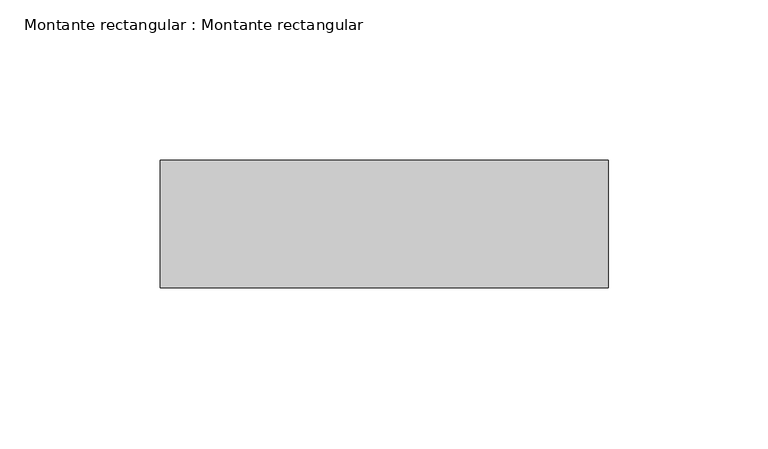
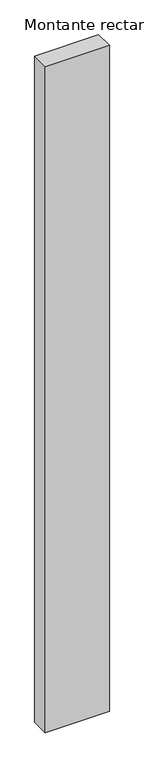
"""IFC4 building model written with IfcOpenShell, lengths in millimetres: member geometry, Montante rectangular : Montante rectangular."""

from ifc_helpers import new_model, si_unit, frame, origin, place, context, project, spatial, polyline, outline, extrude, source, transform, mapped, element, save


def montante_rectangular_montante_rectangular_cdb02f7c(model_context):
    return source(origin(), model_context, "Body", "SweptSolid", [
        extrude(outline(polyline([(-140.0, -4.614603), (0.0, -4.614603), (0.0, -44.614603), (-140.0, -44.614603), (-140.0, -4.614603)])), frame((0.0, 0.0, -1539.2228533), z_axis=(0.0, 0.0, 1.0), x_axis=(1.0, 0.0, 0.0)), (0.0, 0.0, 1.0), 1539.2228533),
    ])


if __name__ == "__main__":
    model = new_model("IFC4")
    model_context = context("Model", 3, world=origin())
    ifc_project = project(units=[si_unit("LENGTHUNIT", "METRE", prefix="MILLI")], contexts=[model_context])
    site = spatial("IfcSite", under=ifc_project)
    building = spatial("IfcBuilding", under=site)
    placement = place(None, origin())
    montante_rectangular_montante_rectangular_shape = montante_rectangular_montante_rectangular_cdb02f7c(model_context)
    element("IfcMember", 1, ObjectType="Montante rectangular : Montante rectangular", at=placement, inside=building, context=model_context, shape_type="MappedRepresentation", body=[
        mapped(montante_rectangular_montante_rectangular_shape, transform((0.0, 0.0, 0.0), x_axis=(1.0, 0.0, 0.0), y_axis=(0.0, 1.0, 0.0), z_axis=(0.0, 0.0, 1.0))),
    ])
    save(model, "model.ifc")
